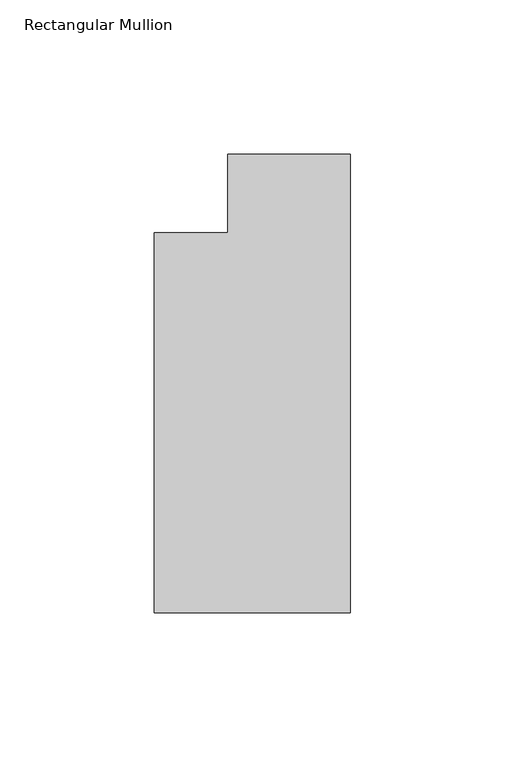
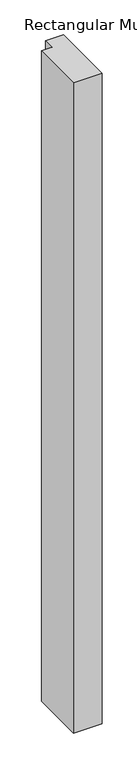
"""IFC4 building model written with IfcOpenShell, lengths in millimetres: member geometry, Rectangular Mullion."""

from ifc_helpers import new_model, si_unit, frame, origin, place, context, project, spatial, polyline, outline, extrude, source, transform, mapped, element, save


def rectangular_mullion_8824741e(model_context):
    return source(origin(), model_context, "Body", "SweptSolid", [
        extrude(outline(polyline([(0.0, -135.73125), (-63.5, -135.73125), (-63.5, -12.7), (-39.6875, -12.7), (-39.6875, 12.7), (0.0, 12.7), (0.0, -135.73125)])), frame((0.0, 0.0, -1524.0), z_axis=(0.0, 0.0, 1.0), x_axis=(1.0, 0.0, 0.0)), (0.0, 0.0, 1.0), 1524.0),
    ])


if __name__ == "__main__":
    model = new_model("IFC4")
    model_context = context("Model", 3, world=origin())
    ifc_project = project(units=[si_unit("LENGTHUNIT", "METRE", prefix="MILLI")], contexts=[model_context])
    site = spatial("IfcSite", under=ifc_project)
    building = spatial("IfcBuilding", under=site)
    placement = place(None, origin())
    rectangular_mullion_shape = rectangular_mullion_8824741e(model_context)
    element("IfcMember", 1, ObjectType="Rectangular Mullion", at=placement, inside=building, context=model_context, shape_type="MappedRepresentation", body=[
        mapped(rectangular_mullion_shape, transform((0.0, 0.0, 0.0), x_axis=(1.0, 0.0, 0.0), y_axis=(0.0, 1.0, 0.0), z_axis=(0.0, 0.0, 1.0))),
    ])
    save(model, "model.ifc")
